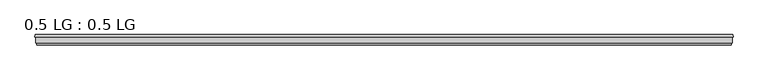
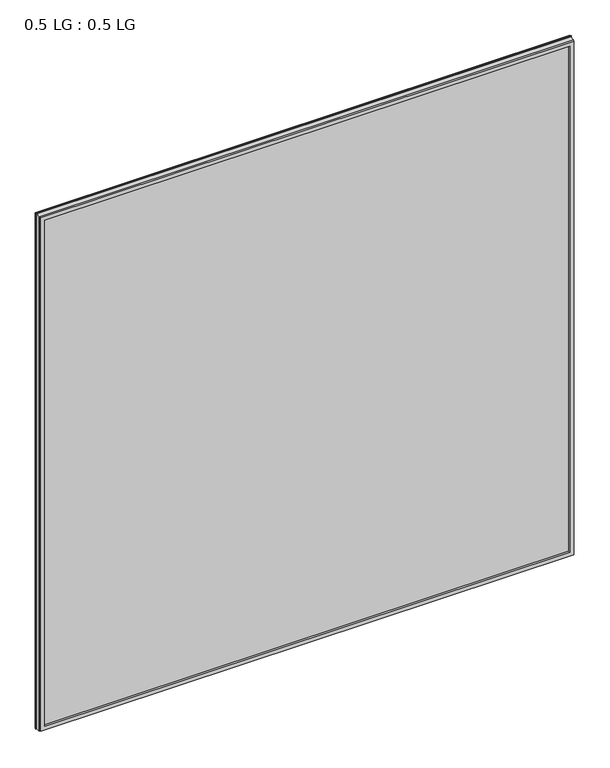
"""IFC4 building model written with IfcOpenShell, lengths in millimetres: plate geometry, 0.5 LG : 0.5 LG."""

from ifc_helpers import new_model, si_unit, origin, origin_with_axes, place, context, project, spatial, polyline, outline, extrude, faceted_brep, source, transform, mapped, element, save


def plate_0_5_lg_0_5_lg_306bf077(model_context):
    return source(origin(), model_context, "Body", "SolidModel", [
        faceted_brep([(-751.2754633, 33.6565875, 1527.5756633), (-750.0871801, 38.3301948, 1526.3873801), (-750.0871801, 38.3301948, -0.7871801), (-751.2754633, 33.6565875, -1.9754633), (-738.9623956, 38.3301948, 1515.2625956), (-737.7742356, 33.6565875, 1514.0744356), (-737.7742356, 33.6565875, 11.5257644), (-738.9623956, 38.3301948, 10.3376044), (750.0871801, 38.3301948, -0.7871801), (751.2754633, 33.6565875, -1.9754633), (737.7742356, 33.6565875, 11.5257644), (738.9623956, 38.3301948, 10.3376044), (750.0871801, 38.3301948, 1526.3873801), (751.2754633, 33.6565875, 1527.5756633), (737.7742356, 33.6565875, 1514.0744356), (738.9623956, 38.3301948, 1515.2625956)], [[[0, 1, 2, 3]], [[4, 5, 6, 7]], [[3, 2, 8, 9]], [[7, 6, 10, 11]], [[9, 8, 12, 13]], [[11, 10, 14, 15]], [[1, 12, 8, 2], [7, 11, 15, 4]], [[13, 12, 1, 0]], [[3, 9, 13, 0], [5, 14, 10, 6]], [[15, 14, 5, 4]]]),
        faceted_brep([(-735.1786419, 20.0421875, 1511.4788419), (-736.2441159, 15.8512075, 1512.5443159), (-736.2441159, 15.8512075, 13.0558841), (-735.1786419, 20.0421875, 14.1213581), (-747.3695018, 15.8512075, 1523.6697018), (-748.4347832, 20.0421875, 1524.7349832), (-748.4347832, 20.0421875, 0.8652168), (-747.3695018, 15.8512075, 1.9304982), (736.2441159, 15.8512075, 13.0558841), (735.1786419, 20.0421875, 14.1213581), (748.4347832, 20.0421875, 0.8652168), (747.3695018, 15.8512075, 1.9304982), (736.2441159, 15.8512075, 1512.5443159), (735.1786419, 20.0421875, 1511.4788419), (748.4347832, 20.0421875, 1524.7349832), (747.3695018, 15.8512075, 1523.6697018)], [[[0, 1, 2, 3]], [[4, 5, 6, 7]], [[3, 2, 8, 9]], [[7, 6, 10, 11]], [[9, 8, 12, 13]], [[11, 10, 14, 15]], [[13, 12, 1, 0]], [[5, 14, 10, 6], [3, 9, 13, 0]], [[15, 14, 5, 4]], [[7, 11, 15, 4], [1, 12, 8, 2]]]),
        extrude(outline(polyline([(749.3, 33.6565875), (749.3, 20.0421875), (-749.3, 20.0421875), (-749.3, 33.6565875), (749.3, 33.6565875)])), origin_with_axes(), (0.0, 0.0, 1.0), 1525.6002),
    ])


if __name__ == "__main__":
    model = new_model("IFC4")
    model_context = context("Model", 3, world=origin())
    ifc_project = project(units=[si_unit("LENGTHUNIT", "METRE", prefix="MILLI")], contexts=[model_context])
    site = spatial("IfcSite", under=ifc_project)
    building = spatial("IfcBuilding", under=site)
    placement = place(None, origin())
    plate_0_5_lg_0_5_lg_shape = plate_0_5_lg_0_5_lg_306bf077(model_context)
    element("IfcPlate", 1, ObjectType="0.5 LG : 0.5 LG", at=placement, inside=building, context=model_context, shape_type="MappedRepresentation", body=[
        mapped(plate_0_5_lg_0_5_lg_shape, transform((0.0, 0.0, 0.0), x_axis=(1.0, 0.0, 0.0), y_axis=(0.0, 1.0, 0.0), z_axis=(0.0, 0.0, 1.0))),
    ])
    save(model, "model.ifc")
